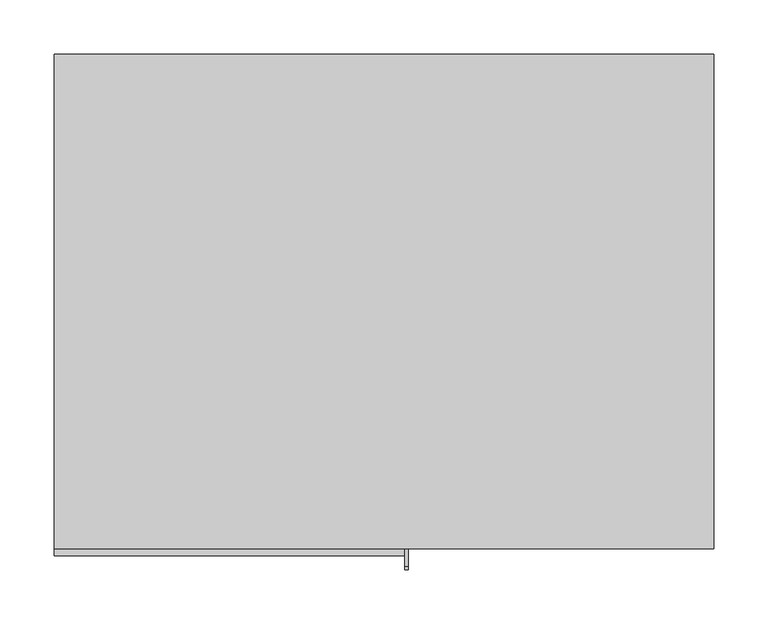
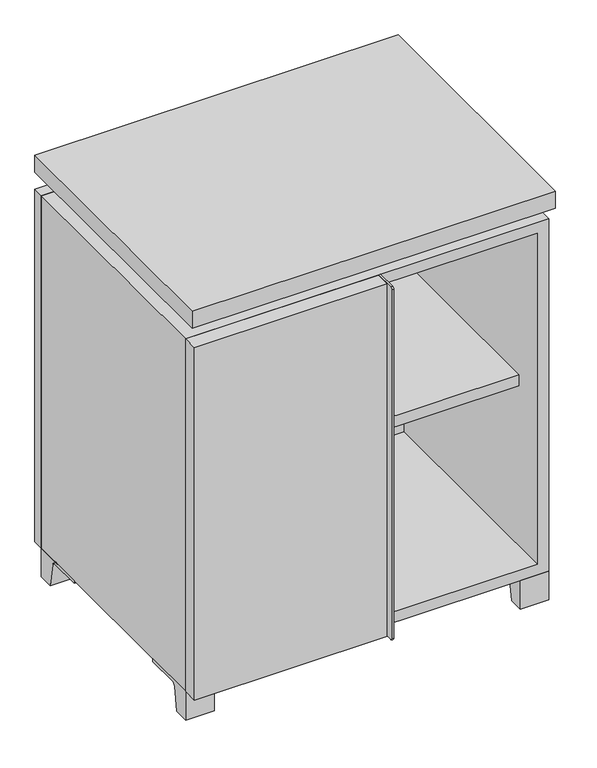
"""IFC4 building model written with IfcOpenShell, lengths in millimetres: furniture geometry."""

from ifc_helpers import new_model, si_unit, point, frame, frame_2d, origin, place, context, project, spatial, polyline, circle_curve, trimmed, segment, composite_curve, outline, extrude, faceted_brep, source, transform, mapped, element, save


def furniture_84acee02(model_context):
    return source(origin(), model_context, "Body", "SolidModel", [
        extrude(outline(polyline([(9.5319453, 241.3), (285.7569453, 241.3), (285.7569453, -92.075), (9.5319453, -92.075), (9.5319453, 241.3)])), frame((0.0, 0.0, 354.0125), z_axis=(0.0, 0.0, 1.0), x_axis=(1.0, 0.0, 0.0)), (0.0, 0.0, 1.0), 19.05),
        extrude(outline(polyline([(-9.5041641, 241.3), (-9.5041641, -92.075), (-285.7291641, -92.075), (-285.7291641, 241.3), (-9.5041641, 241.3)])), frame((0.0, 0.0, 354.0125), z_axis=(0.0, 0.0, 1.0), x_axis=(1.0, 0.0, 0.0)), (0.0, 0.0, 1.0), 19.05),
        extrude(outline(polyline([(304.8138906, 292.1), (304.8138906, -165.1), (-304.7861094, -165.1), (-304.7861094, 292.1), (304.8138906, 292.1)])), frame((0.0, 0.0, 706.4375), z_axis=(0.0, 0.0, 1.0), x_axis=(1.0, 0.0, 0.0)), (0.0, 0.0, 1.0), 30.1625),
        extrude(outline(composite_curve([segment(polyline([(-146.05, 676.275), (-146.05, 50.8), (-180.975, 50.8)]), True, "CONTINUOUS"), segment(trimmed(circle_curve(frame_2d((-180.975, 53.975)), 3.175), [point((-180.975, 50.8))], [point((-184.15, 53.975))], False, "CARTESIAN"), True, "CONTINUOUS"), segment(polyline([(-184.15, 53.975), (-184.15, 673.1)]), True, "CONTINUOUS"), segment(trimmed(circle_curve(frame_2d((-180.975, 673.1)), 3.175), [point((-184.15, 673.1))], [point((-180.975, 676.275))], False, "CARTESIAN"), True, "CONTINUOUS"), segment(polyline([(-180.975, 676.275), (-146.05, 676.275)]), True, "CONTINUOUS")], self_intersect=False)), frame((19.0638906, 0.0, 0.0), z_axis=(1.0, 0.0, 0.0), x_axis=(0.0, 1.0, 0.0)), (0.0, 0.0, 1.0), 3.175),
        extrude(outline(polyline([(-304.7861094, -146.05), (19.0638906, -146.05), (19.0638906, -171.45), (-304.7861094, -171.45), (-304.7861094, -146.05)])), frame((0.0, 0.0, 50.8), z_axis=(0.0, 0.0, 1.0), x_axis=(1.0, 0.0, 0.0)), (0.0, 0.0, 1.0), 625.475),
        extrude(outline(composite_curve([segment(polyline([(-120.6500136, 0.0), (-146.05, 0.0), (-146.05, 50.8), (-50.8, 50.8), (-50.8, 46.0213321), (-107.6005345, 46.0213321)]), True, "CONTINUOUS"), segment(trimmed(circle_curve(frame_2d((-107.6005345, 39.6713321)), 6.35), [point((-107.6005345, 46.0213321))], [point((-113.8641359, 40.7152656))], True, "CARTESIAN"), True, "CONTINUOUS"), segment(polyline([(-113.8641359, 40.7152656), (-120.6500136, 0.0)]), True, "CONTINUOUS")], self_intersect=False)), frame((257.1888906, 0.0, 0.0), z_axis=(1.0, 0.0, 0.0), x_axis=(0.0, 1.0, 0.0)), (0.0, 0.0, 1.0), 47.625),
        extrude(outline(composite_curve([segment(polyline([(247.6500136, 0.0), (240.8641359, 40.7152656)]), True, "CONTINUOUS"), segment(trimmed(circle_curve(frame_2d((234.6005345, 39.6713321)), 6.35), [point((240.8641359, 40.7152656))], [point((234.6005345, 46.0213321))], True, "CARTESIAN"), True, "CONTINUOUS"), segment(polyline([(234.6005345, 46.0213321), (177.8, 46.0213321), (177.8, 50.8), (273.05, 50.8), (273.05, 0.0), (247.6500136, 0.0)]), True, "CONTINUOUS")], self_intersect=False)), frame((257.1888906, 0.0, 0.0), z_axis=(1.0, 0.0, 0.0), x_axis=(0.0, 1.0, 0.0)), (0.0, 0.0, 1.0), 47.625),
        extrude(outline(composite_curve([segment(polyline([(-120.6500136, 0.0), (-146.05, 0.0), (-146.05, 50.8), (-50.8, 50.8), (-50.8, 46.0213321), (-107.6005345, 46.0213321)]), True, "CONTINUOUS"), segment(trimmed(circle_curve(frame_2d((-107.6005345, 39.6713321)), 6.35), [point((-107.6005345, 46.0213321))], [point((-113.8641359, 40.7152656))], True, "CARTESIAN"), True, "CONTINUOUS"), segment(polyline([(-113.8641359, 40.7152656), (-120.6500136, 0.0)]), True, "CONTINUOUS")], self_intersect=False)), frame((-304.7861094, 0.0, 0.0), z_axis=(1.0, 0.0, 0.0), x_axis=(0.0, 1.0, 0.0)), (0.0, 0.0, 1.0), 47.625),
        extrude(outline(composite_curve([segment(polyline([(247.6500136, 0.0), (240.8641359, 40.7152656)]), True, "CONTINUOUS"), segment(trimmed(circle_curve(frame_2d((234.6005345, 39.6713321)), 6.35), [point((240.8641359, 40.7152656))], [point((234.6005345, 46.0213321))], True, "CARTESIAN"), True, "CONTINUOUS"), segment(polyline([(234.6005345, 46.0213321), (177.8, 46.0213321), (177.8, 50.8), (273.05, 50.8), (273.05, 0.0), (247.6500136, 0.0)]), True, "CONTINUOUS")], self_intersect=False)), frame((-304.7861094, 0.0, 0.0), z_axis=(1.0, 0.0, 0.0), x_axis=(0.0, 1.0, 0.0)), (0.0, 0.0, 1.0), 47.625),
        faceted_brep([(7.9513906, -120.65, 706.4375), (7.9513906, -120.65, 676.275), (7.9513906, 53.975, 676.275), (7.9513906, 53.975, 706.4375), (7.9513906, 247.65, 676.275), (7.9513906, 247.65, 706.4375), (7.9513906, 73.025, 706.4375), (7.9513906, 73.025, 676.275), (-7.9236094, 247.65, 706.4375), (-7.9236094, 247.65, 676.275), (-7.9236094, 73.025, 676.275), (-7.9236094, 73.025, 706.4375), (-7.9236094, -120.65, 676.275), (-7.9236094, -120.65, 706.4375), (-7.9236094, 53.975, 706.4375), (-7.9236094, 53.975, 676.275), (-263.4833281, 73.025, 706.4375), (-263.5041641, 247.65, 706.4375), (-279.3791641, 247.65, 706.4375), (-279.3791641, -120.65, 706.4375), (-263.5041641, -120.65, 706.4375), (-263.5041641, 53.975, 706.4375), (263.5111094, 53.975, 706.4375), (263.5111094, -120.65, 706.4375), (279.3861094, -120.65, 706.4375), (279.3861094, 247.65, 706.4375), (263.5111094, 247.65, 706.4375), (263.5111094, 73.025, 706.4375), (-263.4833281, 53.975, 676.275), (-263.5041641, -120.65, 676.275), (-279.3791641, -120.65, 676.275), (-279.3791641, 247.65, 676.275), (-263.5041641, 247.65, 676.275), (-263.5041641, 73.025, 676.275), (263.5111094, 73.025, 676.275), (263.5111094, 247.65, 676.275), (279.3861094, 247.65, 676.275), (279.3861094, -120.65, 676.275), (263.5111094, -120.65, 676.275), (263.5111094, 53.975, 676.275)], [[[0, 1, 2, 3]], [[4, 5, 6, 7]], [[8, 9, 10, 11]], [[12, 13, 14, 15]], [[5, 8, 11, 16, 17, 18, 19, 20, 21, 14, 13, 0, 3, 22, 23, 24, 25, 26, 27, 6]], [[1, 12, 15, 28, 29, 30, 31, 32, 33, 10, 9, 4, 7, 34, 35, 36, 37, 38, 39, 2]], [[5, 4, 9, 8]], [[1, 0, 13, 12]], [[6, 27, 34, 7]], [[22, 3, 2, 39]], [[20, 29, 28, 21]], [[32, 17, 16, 33]], [[18, 31, 30, 19]], [[29, 20, 19, 30]], [[17, 32, 31, 18]], [[26, 35, 34, 27]], [[38, 23, 22, 39]], [[25, 24, 37, 36]], [[23, 38, 37, 24]], [[35, 26, 25, 36]], [[16, 11, 10, 33]], [[14, 21, 28, 15]]]),
        extrude(outline(polyline([(9.5388906, 241.3), (9.5388906, -95.25), (-9.5111094, -95.25), (-9.5111094, 241.3), (9.5388906, 241.3)])), frame((0.0, 0.0, 69.85), z_axis=(0.0, 0.0, 1.0), x_axis=(1.0, 0.0, 0.0)), (0.0, 0.0, 1.0), 587.375),
        extrude(outline(polyline([(15.8888906, -88.9), (15.8888906, -146.05), (-9.5111094, -146.05), (-9.5111094, -120.65), (3.1888906, -120.65), (3.1888906, -88.9), (15.8888906, -88.9)])), frame((0.0, 0.0, 69.85), z_axis=(0.0, 0.0, 1.0), x_axis=(1.0, 0.0, 0.0)), (0.0, 0.0, 1.0), 587.375),
        extrude(outline(polyline([(304.8138906, 273.05), (-304.7861094, 273.05), (-304.7861094, 292.1), (304.8138906, 292.1), (304.8138906, 273.05)])), frame((0.0, 0.0, 50.8), z_axis=(0.0, 0.0, 1.0), x_axis=(1.0, 0.0, 0.0)), (0.0, 0.0, 1.0), 625.475),
        extrude(outline(polyline([(50.8, -304.7861094), (50.8, 304.8), (676.275, 304.8), (676.275, -304.7861094), (50.8, -304.7861094)]), holes=[polyline([(69.85, -285.7361094), (657.225, -285.7361094), (657.225, 285.7361094), (69.85, 285.7361094), (69.85, -285.7361094)])]), frame((0.0, -146.05, 0.0), z_axis=(0.0, 1.0, 0.0), x_axis=(0.0, 0.0, 1.0)), (0.0, 0.0, 1.0), 419.1),
        extrude(outline(polyline([(-285.7291641, 241.3), (-285.7291641, 247.65), (285.7569453, 247.65), (285.7569453, 241.3), (-285.7291641, 241.3)])), frame((0.0, 0.0, 69.85), z_axis=(0.0, 0.0, 1.0), x_axis=(1.0, 0.0, 0.0)), (0.0, 0.0, 1.0), 587.375),
    ])


if __name__ == "__main__":
    model = new_model("IFC4")
    model_context = context("Model", 3, world=origin())
    ifc_project = project(units=[si_unit("LENGTHUNIT", "METRE", prefix="MILLI")], contexts=[model_context])
    site = spatial("IfcSite", under=ifc_project)
    building = spatial("IfcBuilding", under=site)
    placement = place(None, origin())
    furniture_shape = furniture_84acee02(model_context)
    element("IfcFurniture", 1, at=placement, inside=building, context=model_context, shape_type="MappedRepresentation", body=[
        mapped(furniture_shape, transform((0.0, 0.0, 0.0), x_axis=(1.0, 0.0, 0.0), y_axis=(0.0, 1.0, 0.0), z_axis=(0.0, 0.0, 1.0))),
    ])
    save(model, "model.ifc")
